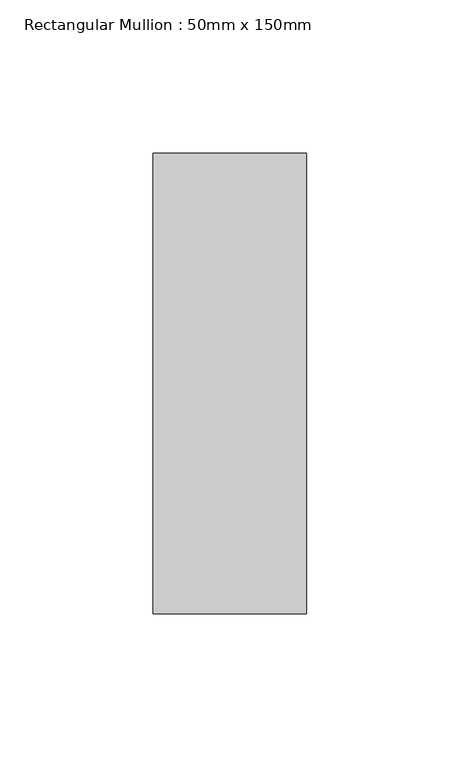
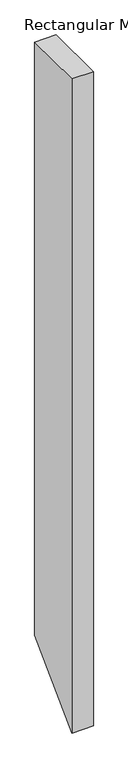
"""IFC4 building model written with IfcOpenShell, lengths in millimetres: member geometry, Rectangular Mullion : 50mm x 150mm."""

from ifc_helpers import new_model, si_unit, frame, origin, place, context, project, spatial, polyline, outline, extrude, source, transform, mapped, element, save


def rectangular_mullion_50mm_x_150mm_cb7a0f06(model_context):
    return source(origin(), model_context, "Body", "SweptSolid", [
        extrude(outline(polyline([(-75.0, 0.0), (75.0, 0.0), (75.0, -1460.0), (-75.0, -1610.0), (-75.0, 0.0)])), frame((-50.0, 0.0, 0.0), z_axis=(1.0, 0.0, 0.0), x_axis=(0.0, 1.0, 0.0)), (0.0, 0.0, 1.0), 50.0),
    ])


if __name__ == "__main__":
    model = new_model("IFC4")
    model_context = context("Model", 3, world=origin())
    ifc_project = project(units=[si_unit("LENGTHUNIT", "METRE", prefix="MILLI")], contexts=[model_context])
    site = spatial("IfcSite", under=ifc_project)
    building = spatial("IfcBuilding", under=site)
    placement = place(None, origin())
    rectangular_mullion_50mm_x_150mm_shape = rectangular_mullion_50mm_x_150mm_cb7a0f06(model_context)
    element("IfcMember", 1, ObjectType="Rectangular Mullion : 50mm x 150mm", at=placement, inside=building, context=model_context, shape_type="MappedRepresentation", body=[
        mapped(rectangular_mullion_50mm_x_150mm_shape, transform((0.0, 0.0, 0.0), x_axis=(1.0, 0.0, 0.0), y_axis=(0.0, 1.0, 0.0), z_axis=(0.0, 0.0, 1.0))),
    ])
    save(model, "model.ifc")
